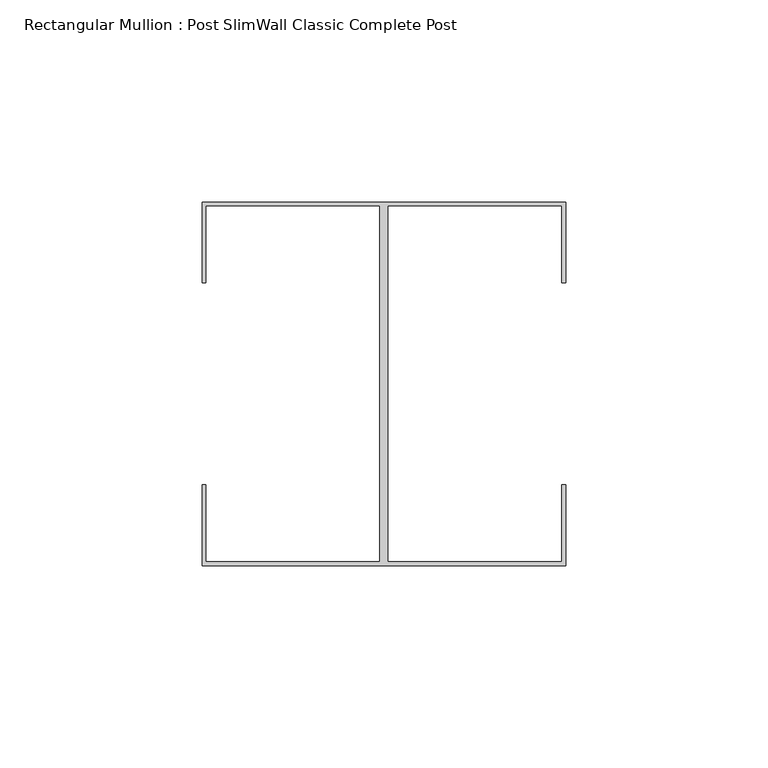
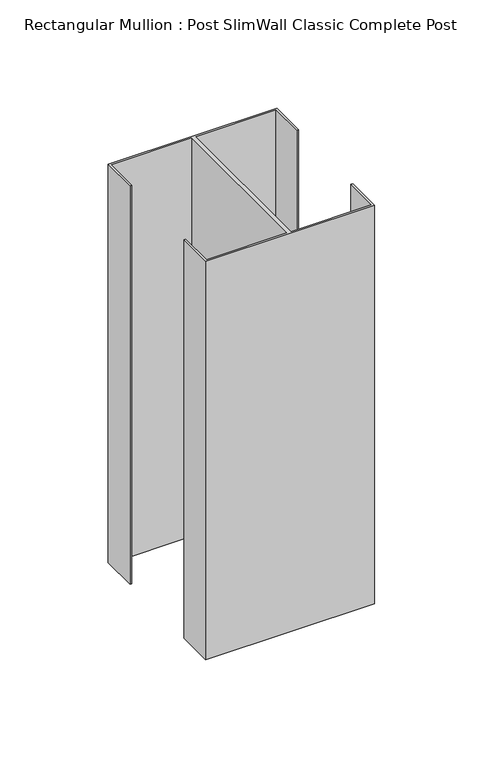
"""IFC4 building model written with IfcOpenShell, lengths in millimetres: member geometry, Rectangular Mullion : Post SlimWall Classic Complete Post."""

from ifc_helpers import new_model, si_unit, frame, origin, place, context, project, spatial, polyline, outline, extrude, source, transform, mapped, element, save


def rectangular_mullion_post_slimwall_classic_complete_post_0dfa5a45(model_context):
    return source(origin(), model_context, "Body", "SweptSolid", [
        extrude(outline(polyline([(44.05, 44.05), (1.0, 44.05), (1.0, -44.05), (44.05, -44.05), (44.05, -25.0), (45.0, -25.0), (45.0, -45.0), (-45.0, -45.0), (-45.0, -25.0), (-44.05, -25.0), (-44.05, -44.05), (-1.0, -44.05), (-1.0, 44.05), (-44.05, 44.05), (-44.05, 25.0), (-45.0, 25.0), (-45.0, 45.0), (45.0, 45.0), (45.0, 25.0), (44.05, 25.0), (44.05, 44.05)])), frame((0.0, 0.0, -224.55), z_axis=(0.0, 0.0, 1.0), x_axis=(1.0, 0.0, 0.0)), (0.0, 0.0, 1.0), 224.55),
    ])


if __name__ == "__main__":
    model = new_model("IFC4")
    model_context = context("Model", 3, world=origin())
    ifc_project = project(units=[si_unit("LENGTHUNIT", "METRE", prefix="MILLI")], contexts=[model_context])
    site = spatial("IfcSite", under=ifc_project)
    building = spatial("IfcBuilding", under=site)
    placement = place(None, origin())
    rectangular_mullion_post_slimwall_classic_complete_post_shape = rectangular_mullion_post_slimwall_classic_complete_post_0dfa5a45(model_context)
    element("IfcMember", 1, ObjectType="Rectangular Mullion : Post SlimWall Classic Complete Post", at=placement, inside=building, context=model_context, shape_type="MappedRepresentation", body=[
        mapped(rectangular_mullion_post_slimwall_classic_complete_post_shape, transform((0.0, 0.0, 0.0), x_axis=(1.0, 0.0, 0.0), y_axis=(0.0, 1.0, 0.0), z_axis=(0.0, 0.0, 1.0))),
    ])
    save(model, "model.ifc")
